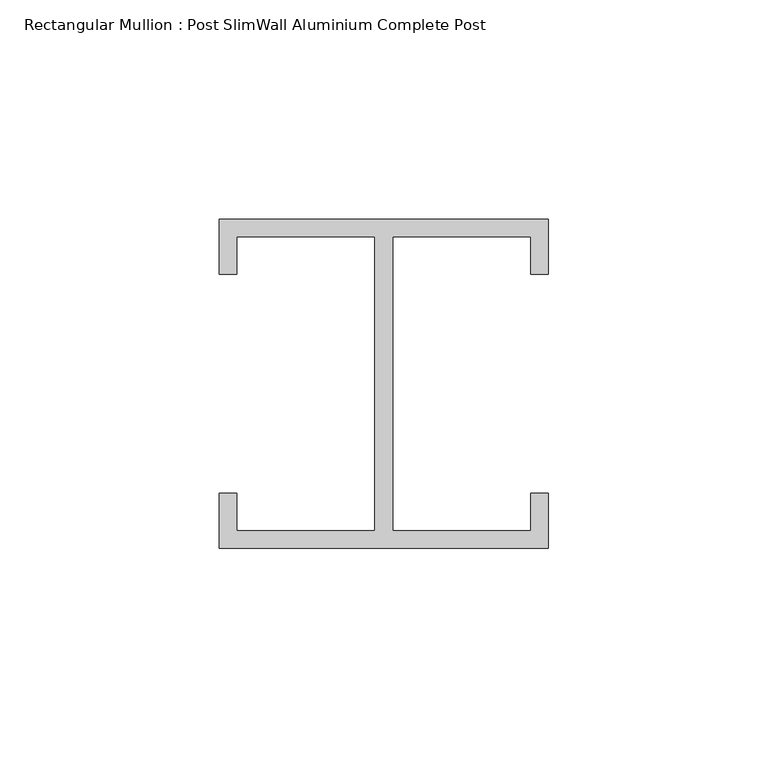
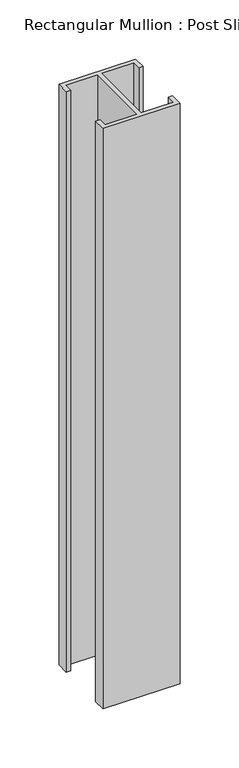
"""IFC4 building model written with IfcOpenShell, lengths in millimetres: member geometry, Rectangular Mullion : Post SlimWall Aluminium Complete Post."""

from ifc_helpers import new_model, si_unit, frame, origin, place, context, project, spatial, polyline, outline, extrude, source, transform, mapped, element, save


def rectangular_mullion_post_slimwall_aluminium_complete_post_1002b4ca(model_context):
    return source(origin(), model_context, "Body", "SweptSolid", [
        extrude(outline(polyline([(-33.5, -33.5), (-2.0, -33.5), (-2.0, 33.5), (-33.5, 33.5), (-33.5, 25.0), (-37.5, 25.0), (-37.5, 37.5), (37.5, 37.5), (37.5, 25.0), (33.5, 25.0), (33.5, 33.5), (2.0, 33.5), (2.0, -33.5), (33.5, -33.5), (33.5, -25.0), (37.5, -25.0), (37.5, -37.5), (-37.5, -37.5), (-37.5, -25.0), (-33.5, -25.0), (-33.5, -33.5)])), frame((0.0, 0.0, -600.0), z_axis=(0.0, 0.0, 1.0), x_axis=(1.0, 0.0, 0.0)), (0.0, 0.0, 1.0), 600.0),
    ])


if __name__ == "__main__":
    model = new_model("IFC4")
    model_context = context("Model", 3, world=origin())
    ifc_project = project(units=[si_unit("LENGTHUNIT", "METRE", prefix="MILLI")], contexts=[model_context])
    site = spatial("IfcSite", under=ifc_project)
    building = spatial("IfcBuilding", under=site)
    placement = place(None, origin())
    rectangular_mullion_post_slimwall_aluminium_complete_post_shape = rectangular_mullion_post_slimwall_aluminium_complete_post_1002b4ca(model_context)
    element("IfcMember", 1, ObjectType="Rectangular Mullion : Post SlimWall Aluminium Complete Post", at=placement, inside=building, context=model_context, shape_type="MappedRepresentation", body=[
        mapped(rectangular_mullion_post_slimwall_aluminium_complete_post_shape, transform((0.0, 0.0, 0.0), x_axis=(1.0, 0.0, 0.0), y_axis=(0.0, 1.0, 0.0), z_axis=(0.0, 0.0, 1.0))),
    ])
    save(model, "model.ifc")
